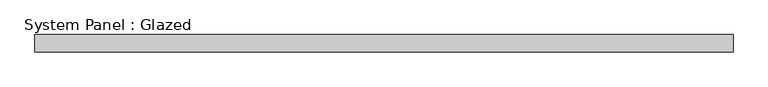
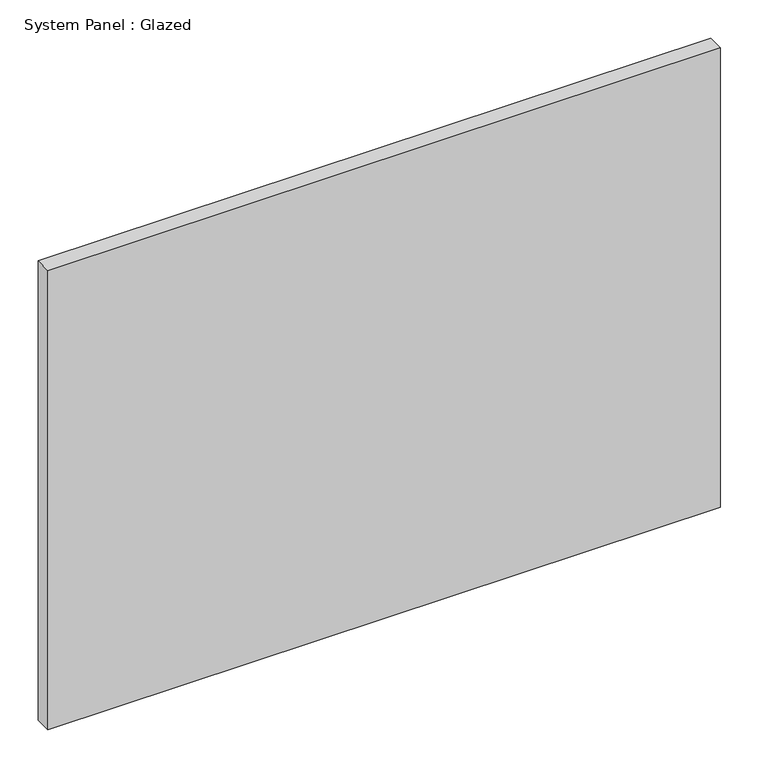
"""IFC4 building model written with IfcOpenShell, lengths in millimetres: plate geometry, System Panel : Glazed."""

import ifcopenshell
import ifcopenshell.guid

model = None  # the IFC model being written
_history = None  # IfcOwnerHistory: only IFC2X3 demands one
_inside = {}  # id of a spatial element -> (the spatial element, [elements in it])
_under = {}  # id of a project, library or spatial element -> (it, [spatial elements below it])
_declared = {}  # id of a project -> (the project, [libraries it declares])
_typed = {}  # id of a type object -> (the type object, [elements of that type])
_made_of = {}  # id of a material, layer set ... -> (it, [elements and type objects made of it])


def new_model(schema):
    """Start an empty IFC model of exactly this schema.

    Asked for "IFC4X3", IfcOpenShell would pick the latest addendum, in which some entities
    have other attributes; the version numbers below select the first issue.
    IFC2X3 requires an IfcOwnerHistory on every rooted entity: one is made here for all.
    """
    global model, _history
    if schema == "IFC4X3":
        model = ifcopenshell.file(schema_version=(4, 3, 0, 0))
    else:
        model = ifcopenshell.file(schema=schema)
    _inside.clear()
    _under.clear()
    _declared.clear()
    _typed.clear()
    _made_of.clear()
    _history = None
    if model.schema == "IFC2X3":
        org = make("IfcOrganization", Name="unknown")
        user = make(
            "IfcPersonAndOrganization",
            ThePerson=make("IfcPerson", FamilyName="unknown"),
            TheOrganization=org,
        )
        app = make(
            "IfcApplication",
            ApplicationDeveloper=org,
            Version="unknown",
            ApplicationFullName="unknown",
            ApplicationIdentifier="unknown",
        )
        _history = make(
            "IfcOwnerHistory",
            OwningUser=user,
            OwningApplication=app,
            ChangeAction="ADDED",
            CreationDate=0,
        )
    return model


def make(cls, **values):
    """One entity of the class cls with the attributes given. An attribute that is None is left unset."""
    return model.create_entity(
        cls, **{name: value for name, value in values.items() if value is not None}
    )


def rooted(cls, **values):
    """An entity with a GlobalId (a new one), such as an element, a storey or a relation."""
    return make(cls, GlobalId=ifcopenshell.guid.new(), OwnerHistory=_history, **values)


def si_unit(unit_type, name, prefix=None):
    """IfcSIUnit, for example si_unit("LENGTHUNIT", "METRE", prefix="MILLI")."""
    return make("IfcSIUnit", UnitType=unit_type, Prefix=prefix, Name=name)


def assignment(units):
    """IfcUnitAssignment: the units of a project."""
    return None if units is None else make("IfcUnitAssignment", Units=units)


def point(xyz):
    """IfcCartesianPoint."""
    return None if xyz is None else make("IfcCartesianPoint", Coordinates=xyz)


def direction(xyz):
    """IfcDirection."""
    return None if xyz is None else make("IfcDirection", DirectionRatios=xyz)


def frame(location, z_axis=None, x_axis=None):
    """IfcAxis2Placement3D, a coordinate frame: its origin and axes. An axis left out is left unset."""
    return make(
        "IfcAxis2Placement3D",
        Location=point(location),
        Axis=direction(z_axis),
        RefDirection=direction(x_axis),
    )


def origin():
    """The frame at (0, 0, 0) with its axes left unset."""
    return frame((0.0, 0.0, 0.0))


def origin_with_axes():
    """The frame at (0, 0, 0) with the z axis (0, 0, 1) and the x axis (1, 0, 0) written out."""
    return frame((0.0, 0.0, 0.0), z_axis=(0.0, 0.0, 1.0), x_axis=(1.0, 0.0, 0.0))


def place(relative_to, where):
    """IfcLocalPlacement: puts the frame where relative to a parent placement (None: the world)."""
    return make(
        "IfcLocalPlacement", PlacementRelTo=relative_to, RelativePlacement=where
    )


def context(
    kind, dimensions, precision=None, world=None, true_north=None, identifier=None
):
    """IfcGeometricRepresentationContext, for example the 3D "Model" context."""
    return make(
        "IfcGeometricRepresentationContext",
        ContextIdentifier=identifier,
        ContextType=kind,
        CoordinateSpaceDimension=dimensions,
        Precision=precision,
        WorldCoordinateSystem=world,
        TrueNorth=true_north,
    )


def project(units=None, contexts=None):
    """IfcProject with its units and contexts."""
    return rooted(
        "IfcProject",
        Name="project",
        RepresentationContexts=contexts,
        UnitsInContext=assignment(units),
    )


def spatial(cls, under=None, at=None, **own):
    """A site, building, storey or space (cls), placed at a placement, below another one or the project."""
    s = rooted(cls, ObjectPlacement=at, **own)
    if under is not None:
        _under.setdefault(under.id(), (under, []))[1].append(s)
    return s


def polyline(points):
    """IfcPolyline through the points."""
    return make("IfcPolyline", Points=[point(p) for p in points])


def outline(outer, holes=None, kind="AREA"):
    """IfcArbitraryClosedProfileDef: a profile drawn as a closed curve; with holes, ...WithVoids."""
    if holes is None:
        return make("IfcArbitraryClosedProfileDef", ProfileType=kind, OuterCurve=outer)
    return make(
        "IfcArbitraryProfileDefWithVoids",
        ProfileType=kind,
        OuterCurve=outer,
        InnerCurves=holes,
    )


def extrude(swept, where, along, depth):
    """IfcExtrudedAreaSolid: the profile swept, set in the frame where, extruded along a direction by depth."""
    return make(
        "IfcExtrudedAreaSolid",
        SweptArea=swept,
        Position=where,
        ExtrudedDirection=direction(along),
        Depth=depth,
    )


def shape(context_of_items, identifier, shape_type, items):
    """IfcShapeRepresentation: the items that make up one representation, for example the "Body"."""
    return make(
        "IfcShapeRepresentation",
        ContextOfItems=context_of_items,
        RepresentationIdentifier=identifier,
        RepresentationType=shape_type,
        Items=items,
    )


def source(mapping_origin, context_of_items, identifier, shape_type, items):
    """IfcRepresentationMap: a shape defined once, which mapped items show again and again."""
    return make(
        "IfcRepresentationMap",
        MappingOrigin=mapping_origin,
        MappedRepresentation=shape(context_of_items, identifier, shape_type, items),
    )


def transform(
    local_origin,
    x_axis=None,
    y_axis=None,
    z_axis=None,
    scale=None,
    scale2=None,
    scale3=None,
    uniform=True,
):
    """IfcCartesianTransformationOperator3D, or its non-uniform kind. x_axis, y_axis, z_axis: its Axis1, 2, 3."""
    if uniform:
        return make(
            "IfcCartesianTransformationOperator3D",
            Axis1=direction(x_axis),
            Axis2=direction(y_axis),
            LocalOrigin=point(local_origin),
            Scale=scale,
            Axis3=direction(z_axis),
        )
    return make(
        "IfcCartesianTransformationOperator3DnonUniform",
        Axis1=direction(x_axis),
        Axis2=direction(y_axis),
        LocalOrigin=point(local_origin),
        Scale=scale,
        Axis3=direction(z_axis),
        Scale2=scale2,
        Scale3=scale3,
    )


def mapped(mapping_source, mapping_target):
    """IfcMappedItem: shows the shape of a source again, moved by a transform."""
    return make(
        "IfcMappedItem", MappingSource=mapping_source, MappingTarget=mapping_target
    )


def made_of(thing, what):
    """Note that an element or type object is made of a material, layer set ...; save() writes the relation."""
    if what is not None:
        _made_of.setdefault(what.id(), (what, []))[1].append(thing)
    return thing


def element(
    cls,
    number,
    at=None,
    inside=None,
    cuts=None,
    type_object=None,
    material=None,
    context=None,
    identifier="Body",
    shape_type=None,
    held_by="IfcProductDefinitionShape",
    body=None,
    shapes=None,
    **own,
):
    """One element of the class cls, such as IfcWall. Its Tag is "e" and its number.

    at: its placement. inside: the storey or other place that contains it. cuts: it is an
    opening in that element (IfcRelVoidsElement). A single representation is given by context,
    identifier, shape_type and body (its items); several are given by shapes. held_by: the class
    of the entity that holds the representations. save() writes the other relations.
    """
    e = rooted(cls, Tag="e%d" % number, ObjectPlacement=at, **own)
    if body is not None:
        shapes = [shape(context, identifier, shape_type, body)]
    if shapes is not None:
        e.Representation = make(held_by, Representations=shapes)
    if inside is not None:
        _inside.setdefault(inside.id(), (inside, []))[1].append(e)
    if cuts is not None:
        rooted(
            "IfcRelVoidsElement", RelatingBuildingElement=cuts, RelatedOpeningElement=e
        )
    if type_object is not None:
        _typed.setdefault(type_object.id(), (type_object, []))[1].append(e)
    return made_of(e, material)


def aggregate(whole, parts):
    """IfcRelAggregates: a whole, such as a stair, and the parts it consists of."""
    return rooted("IfcRelAggregates", RelatingObject=whole, RelatedObjects=parts)


def save(model, path):
    """Write the relations noted so far, then the file.

    IfcRelAggregates (storeys below a building ...), IfcRelContainedInSpatialStructure (elements
    in a storey), IfcRelDefinesByType, IfcRelAssociatesMaterial and IfcRelDeclares: one each for
    every whole, place, type object, material and project.
    """
    for whole, parts in _under.values():
        aggregate(whole, parts)
    for where, things in _inside.values():
        rooted(
            "IfcRelContainedInSpatialStructure",
            RelatedElements=things,
            RelatingStructure=where,
        )
    for kind, things in _typed.values():
        rooted("IfcRelDefinesByType", RelatedObjects=things, RelatingType=kind)
    for what, things in _made_of.values():
        rooted("IfcRelAssociatesMaterial", RelatedObjects=things, RelatingMaterial=what)
    for by, libraries in _declared.values():
        rooted("IfcRelDeclares", RelatingContext=by, RelatedDefinitions=libraries)
    model.write(path)


def system_panel_glazed_28a7329e(model_context):
    return source(origin(), model_context, "Body", "SweptSolid", [
        extrude(outline(polyline([(508.0, -12.7), (-508.0, -12.7), (-508.0, 12.7), (508.0, 12.7), (508.0, -12.7)])), origin_with_axes(), (0.0, 0.0, 1.0), 733.425),
    ])


if __name__ == "__main__":
    model = new_model("IFC4")
    model_context = context("Model", 3, world=origin())
    ifc_project = project(units=[si_unit("LENGTHUNIT", "METRE", prefix="MILLI")], contexts=[model_context])
    site = spatial("IfcSite", under=ifc_project)
    building = spatial("IfcBuilding", under=site)
    placement = place(None, origin())
    system_panel_glazed_shape = system_panel_glazed_28a7329e(model_context)
    element("IfcPlate", 1, ObjectType="System Panel : Glazed", at=placement, inside=building, context=model_context, shape_type="MappedRepresentation", body=[
        mapped(system_panel_glazed_shape, transform((0.0, 0.0, 0.0), x_axis=(1.0, 0.0, 0.0), y_axis=(0.0, 1.0, 0.0), z_axis=(0.0, 0.0, 1.0))),
    ])
    save(model, "model.ifc")
